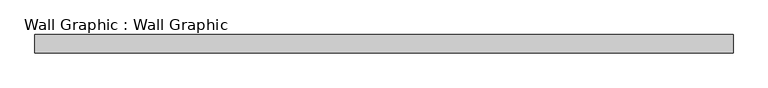
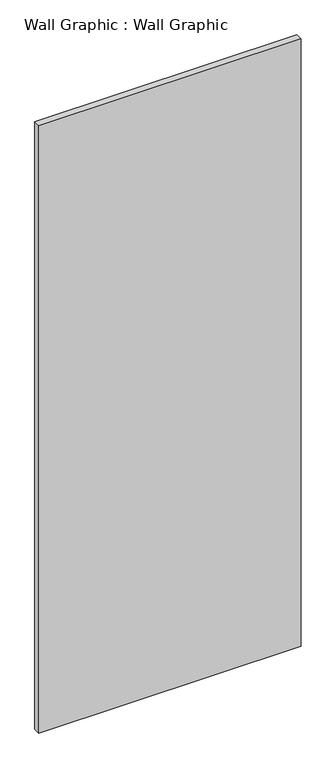
"""IFC4 building model written with IfcOpenShell, lengths in millimetres: proxy geometry, Wall Graphic : Wall Graphic."""

from ifc_helpers import new_model, si_unit, origin, origin_with_axes, place, context, project, spatial, polyline, outline, extrude, source, transform, mapped, element, save


def wall_graphic_wall_graphic_d8124e15(model_context):
    return source(origin(), model_context, "Body", "SweptSolid", [
        extrude(outline(polyline([(572.5, -30.0), (-572.5, -30.0), (-572.5, 0.0), (572.5, 0.0), (572.5, -30.0)])), origin_with_axes(), (0.0, 0.0, 1.0), 2800.0),
    ])


if __name__ == "__main__":
    model = new_model("IFC4")
    model_context = context("Model", 3, world=origin())
    ifc_project = project(units=[si_unit("LENGTHUNIT", "METRE", prefix="MILLI")], contexts=[model_context])
    site = spatial("IfcSite", under=ifc_project)
    building = spatial("IfcBuilding", under=site)
    placement = place(None, origin())
    wall_graphic_wall_graphic_shape = wall_graphic_wall_graphic_d8124e15(model_context)
    element("IfcBuildingElementProxy", 1, Name="Wall Graphic : Wall Graphic", ObjectType="Wall Graphic : Wall Graphic", at=placement, inside=building, context=model_context, shape_type="MappedRepresentation", body=[
        mapped(wall_graphic_wall_graphic_shape, transform((0.0, 0.0, 0.0), x_axis=(1.0, 0.0, 0.0), y_axis=(0.0, 1.0, 0.0), z_axis=(0.0, 0.0, 1.0))),
    ])
    save(model, "model.ifc")
